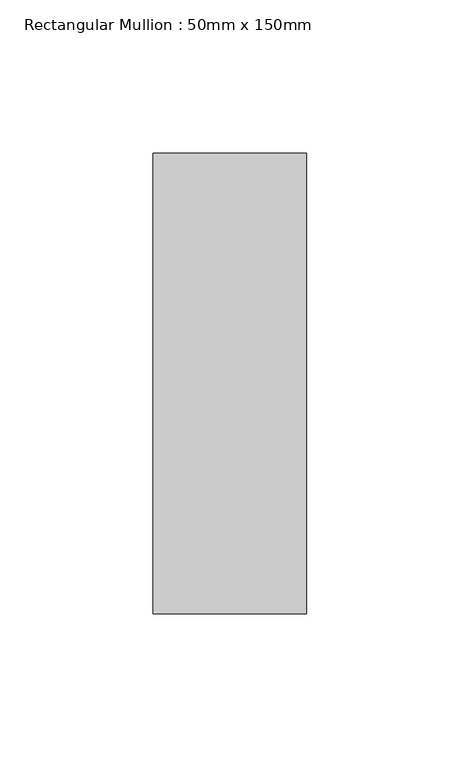
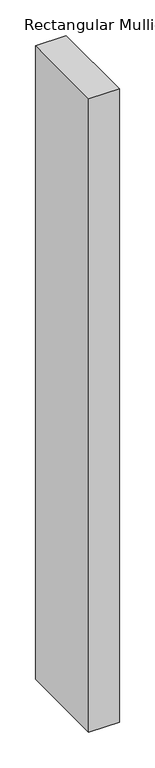
"""IFC4 building model written with IfcOpenShell, lengths in millimetres: member geometry, Rectangular Mullion : 50mm x 150mm."""

import ifcopenshell
import ifcopenshell.guid

model = None  # the IFC model being written
_history = None  # IfcOwnerHistory: only IFC2X3 demands one
_inside = {}  # id of a spatial element -> (the spatial element, [elements in it])
_under = {}  # id of a project, library or spatial element -> (it, [spatial elements below it])
_declared = {}  # id of a project -> (the project, [libraries it declares])
_typed = {}  # id of a type object -> (the type object, [elements of that type])
_made_of = {}  # id of a material, layer set ... -> (it, [elements and type objects made of it])


def new_model(schema):
    """Start an empty IFC model of exactly this schema.

    Asked for "IFC4X3", IfcOpenShell would pick the latest addendum, in which some entities
    have other attributes; the version numbers below select the first issue.
    IFC2X3 requires an IfcOwnerHistory on every rooted entity: one is made here for all.
    """
    global model, _history
    if schema == "IFC4X3":
        model = ifcopenshell.file(schema_version=(4, 3, 0, 0))
    else:
        model = ifcopenshell.file(schema=schema)
    _inside.clear()
    _under.clear()
    _declared.clear()
    _typed.clear()
    _made_of.clear()
    _history = None
    if model.schema == "IFC2X3":
        org = make("IfcOrganization", Name="unknown")
        user = make(
            "IfcPersonAndOrganization",
            ThePerson=make("IfcPerson", FamilyName="unknown"),
            TheOrganization=org,
        )
        app = make(
            "IfcApplication",
            ApplicationDeveloper=org,
            Version="unknown",
            ApplicationFullName="unknown",
            ApplicationIdentifier="unknown",
        )
        _history = make(
            "IfcOwnerHistory",
            OwningUser=user,
            OwningApplication=app,
            ChangeAction="ADDED",
            CreationDate=0,
        )
    return model


def make(cls, **values):
    """One entity of the class cls with the attributes given. An attribute that is None is left unset."""
    return model.create_entity(
        cls, **{name: value for name, value in values.items() if value is not None}
    )


def rooted(cls, **values):
    """An entity with a GlobalId (a new one), such as an element, a storey or a relation."""
    return make(cls, GlobalId=ifcopenshell.guid.new(), OwnerHistory=_history, **values)


def si_unit(unit_type, name, prefix=None):
    """IfcSIUnit, for example si_unit("LENGTHUNIT", "METRE", prefix="MILLI")."""
    return make("IfcSIUnit", UnitType=unit_type, Prefix=prefix, Name=name)


def assignment(units):
    """IfcUnitAssignment: the units of a project."""
    return None if units is None else make("IfcUnitAssignment", Units=units)


def point(xyz):
    """IfcCartesianPoint."""
    return None if xyz is None else make("IfcCartesianPoint", Coordinates=xyz)


def direction(xyz):
    """IfcDirection."""
    return None if xyz is None else make("IfcDirection", DirectionRatios=xyz)


def frame(location, z_axis=None, x_axis=None):
    """IfcAxis2Placement3D, a coordinate frame: its origin and axes. An axis left out is left unset."""
    return make(
        "IfcAxis2Placement3D",
        Location=point(location),
        Axis=direction(z_axis),
        RefDirection=direction(x_axis),
    )


def origin():
    """The frame at (0, 0, 0) with its axes left unset."""
    return frame((0.0, 0.0, 0.0))


def place(relative_to, where):
    """IfcLocalPlacement: puts the frame where relative to a parent placement (None: the world)."""
    return make(
        "IfcLocalPlacement", PlacementRelTo=relative_to, RelativePlacement=where
    )


def context(
    kind, dimensions, precision=None, world=None, true_north=None, identifier=None
):
    """IfcGeometricRepresentationContext, for example the 3D "Model" context."""
    return make(
        "IfcGeometricRepresentationContext",
        ContextIdentifier=identifier,
        ContextType=kind,
        CoordinateSpaceDimension=dimensions,
        Precision=precision,
        WorldCoordinateSystem=world,
        TrueNorth=true_north,
    )


def project(units=None, contexts=None):
    """IfcProject with its units and contexts."""
    return rooted(
        "IfcProject",
        Name="project",
        RepresentationContexts=contexts,
        UnitsInContext=assignment(units),
    )


def spatial(cls, under=None, at=None, **own):
    """A site, building, storey or space (cls), placed at a placement, below another one or the project."""
    s = rooted(cls, ObjectPlacement=at, **own)
    if under is not None:
        _under.setdefault(under.id(), (under, []))[1].append(s)
    return s


def polyline(points):
    """IfcPolyline through the points."""
    return make("IfcPolyline", Points=[point(p) for p in points])


def outline(outer, holes=None, kind="AREA"):
    """IfcArbitraryClosedProfileDef: a profile drawn as a closed curve; with holes, ...WithVoids."""
    if holes is None:
        return make("IfcArbitraryClosedProfileDef", ProfileType=kind, OuterCurve=outer)
    return make(
        "IfcArbitraryProfileDefWithVoids",
        ProfileType=kind,
        OuterCurve=outer,
        InnerCurves=holes,
    )


def extrude(swept, where, along, depth):
    """IfcExtrudedAreaSolid: the profile swept, set in the frame where, extruded along a direction by depth."""
    return make(
        "IfcExtrudedAreaSolid",
        SweptArea=swept,
        Position=where,
        ExtrudedDirection=direction(along),
        Depth=depth,
    )


def shape(context_of_items, identifier, shape_type, items):
    """IfcShapeRepresentation: the items that make up one representation, for example the "Body"."""
    return make(
        "IfcShapeRepresentation",
        ContextOfItems=context_of_items,
        RepresentationIdentifier=identifier,
        RepresentationType=shape_type,
        Items=items,
    )


def source(mapping_origin, context_of_items, identifier, shape_type, items):
    """IfcRepresentationMap: a shape defined once, which mapped items show again and again."""
    return make(
        "IfcRepresentationMap",
        MappingOrigin=mapping_origin,
        MappedRepresentation=shape(context_of_items, identifier, shape_type, items),
    )


def transform(
    local_origin,
    x_axis=None,
    y_axis=None,
    z_axis=None,
    scale=None,
    scale2=None,
    scale3=None,
    uniform=True,
):
    """IfcCartesianTransformationOperator3D, or its non-uniform kind. x_axis, y_axis, z_axis: its Axis1, 2, 3."""
    if uniform:
        return make(
            "IfcCartesianTransformationOperator3D",
            Axis1=direction(x_axis),
            Axis2=direction(y_axis),
            LocalOrigin=point(local_origin),
            Scale=scale,
            Axis3=direction(z_axis),
        )
    return make(
        "IfcCartesianTransformationOperator3DnonUniform",
        Axis1=direction(x_axis),
        Axis2=direction(y_axis),
        LocalOrigin=point(local_origin),
        Scale=scale,
        Axis3=direction(z_axis),
        Scale2=scale2,
        Scale3=scale3,
    )


def mapped(mapping_source, mapping_target):
    """IfcMappedItem: shows the shape of a source again, moved by a transform."""
    return make(
        "IfcMappedItem", MappingSource=mapping_source, MappingTarget=mapping_target
    )


def made_of(thing, what):
    """Note that an element or type object is made of a material, layer set ...; save() writes the relation."""
    if what is not None:
        _made_of.setdefault(what.id(), (what, []))[1].append(thing)
    return thing


def element(
    cls,
    number,
    at=None,
    inside=None,
    cuts=None,
    type_object=None,
    material=None,
    context=None,
    identifier="Body",
    shape_type=None,
    held_by="IfcProductDefinitionShape",
    body=None,
    shapes=None,
    **own,
):
    """One element of the class cls, such as IfcWall. Its Tag is "e" and its number.

    at: its placement. inside: the storey or other place that contains it. cuts: it is an
    opening in that element (IfcRelVoidsElement). A single representation is given by context,
    identifier, shape_type and body (its items); several are given by shapes. held_by: the class
    of the entity that holds the representations. save() writes the other relations.
    """
    e = rooted(cls, Tag="e%d" % number, ObjectPlacement=at, **own)
    if body is not None:
        shapes = [shape(context, identifier, shape_type, body)]
    if shapes is not None:
        e.Representation = make(held_by, Representations=shapes)
    if inside is not None:
        _inside.setdefault(inside.id(), (inside, []))[1].append(e)
    if cuts is not None:
        rooted(
            "IfcRelVoidsElement", RelatingBuildingElement=cuts, RelatedOpeningElement=e
        )
    if type_object is not None:
        _typed.setdefault(type_object.id(), (type_object, []))[1].append(e)
    return made_of(e, material)


def aggregate(whole, parts):
    """IfcRelAggregates: a whole, such as a stair, and the parts it consists of."""
    return rooted("IfcRelAggregates", RelatingObject=whole, RelatedObjects=parts)


def save(model, path):
    """Write the relations noted so far, then the file.

    IfcRelAggregates (storeys below a building ...), IfcRelContainedInSpatialStructure (elements
    in a storey), IfcRelDefinesByType, IfcRelAssociatesMaterial and IfcRelDeclares: one each for
    every whole, place, type object, material and project.
    """
    for whole, parts in _under.values():
        aggregate(whole, parts)
    for where, things in _inside.values():
        rooted(
            "IfcRelContainedInSpatialStructure",
            RelatedElements=things,
            RelatingStructure=where,
        )
    for kind, things in _typed.values():
        rooted("IfcRelDefinesByType", RelatedObjects=things, RelatingType=kind)
    for what, things in _made_of.values():
        rooted("IfcRelAssociatesMaterial", RelatedObjects=things, RelatingMaterial=what)
    for by, libraries in _declared.values():
        rooted("IfcRelDeclares", RelatingContext=by, RelatedDefinitions=libraries)
    model.write(path)


def rectangular_mullion_50mm_x_150mm_c86de806(model_context):
    return source(origin(), model_context, "Body", "SweptSolid", [
        extrude(outline(polyline([(25.0, 75.0), (25.0, -75.0), (-25.0, -75.0), (-25.0, 75.0), (25.0, 75.0)])), frame((0.0, 0.0, -1087.4999999), z_axis=(0.0, 0.0, 1.0), x_axis=(1.0, 0.0, 0.0)), (0.0, 0.0, 1.0), 1087.4999999),
    ])


if __name__ == "__main__":
    model = new_model("IFC4")
    model_context = context("Model", 3, world=origin())
    ifc_project = project(units=[si_unit("LENGTHUNIT", "METRE", prefix="MILLI")], contexts=[model_context])
    site = spatial("IfcSite", under=ifc_project)
    building = spatial("IfcBuilding", under=site)
    placement = place(None, origin())
    rectangular_mullion_50mm_x_150mm_shape = rectangular_mullion_50mm_x_150mm_c86de806(model_context)
    element("IfcMember", 1, ObjectType="Rectangular Mullion : 50mm x 150mm", at=placement, inside=building, context=model_context, shape_type="MappedRepresentation", body=[
        mapped(rectangular_mullion_50mm_x_150mm_shape, transform((0.0, 0.0, 0.0), x_axis=(1.0, 0.0, 0.0), y_axis=(0.0, 1.0, 0.0), z_axis=(0.0, 0.0, 1.0))),
    ])
    save(model, "model.ifc")
